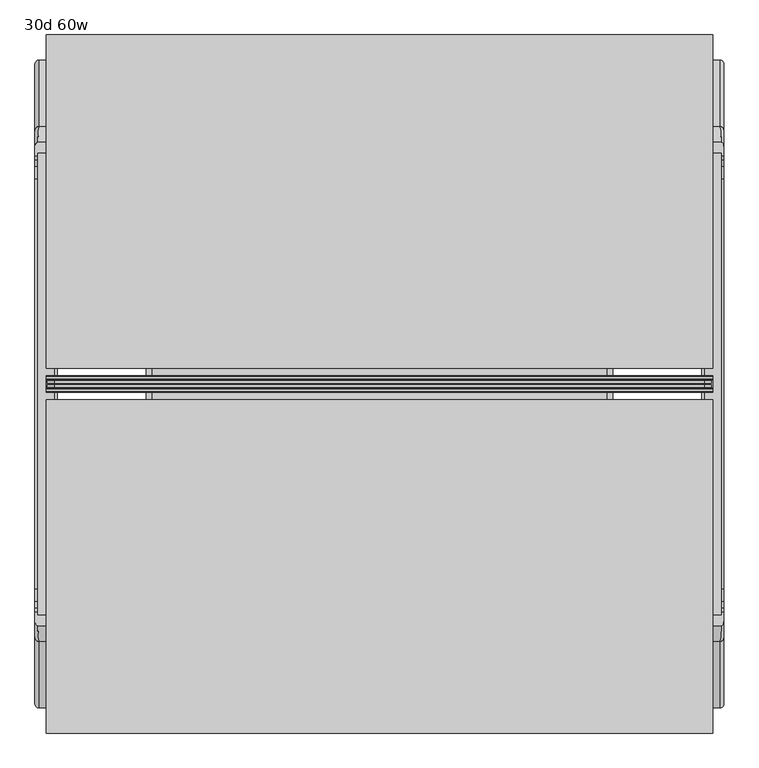
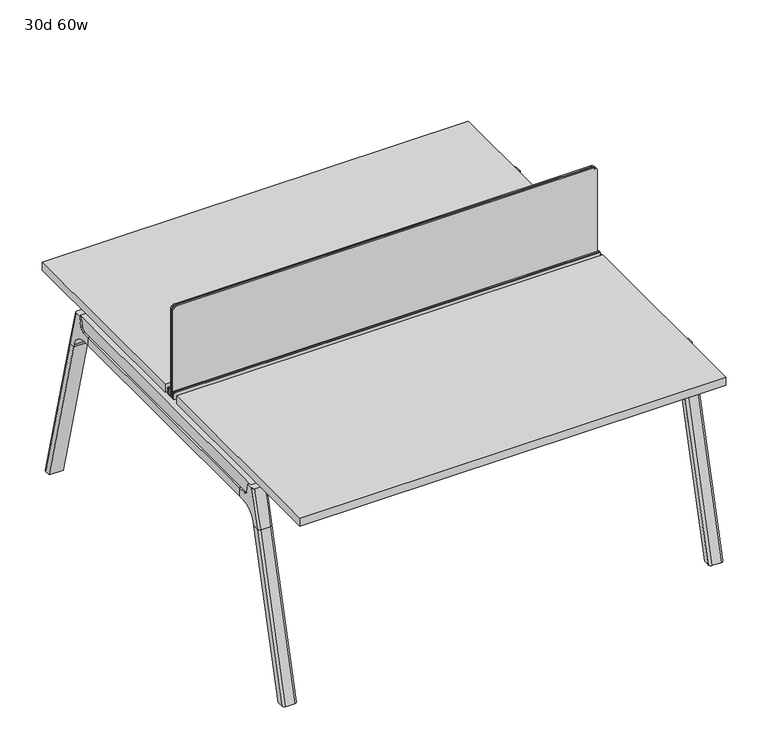
"""IFC4 building model written with IfcOpenShell, lengths in millimetres: furniture geometry, 30d 60w."""

from ifc_helpers import new_model, si_unit, point, frame, frame_2d, origin, place, context, project, spatial, polyline, circle_curve, ellipse_curve, trimmed, segment, composite_curve, outline, extrude, source, transform, mapped, element, save
from ifc_brep_helpers import plane_surface, cylinder_surface, revolved_surface, advanced_brep


def furniture_30d_60w_bcbb73ca(model_context):
    return source(origin(), model_context, "Body", "SolidModel", [
        extrude(outline(composite_curve([segment(polyline([(1054.89375, 955.675), (1054.89375, -523.875)]), True, "CONTINUOUS"), segment(trimmed(circle_curve(frame_2d((1039.01875, -523.875)), 15.875), [point((1054.89375, -523.875))], [point((1039.01875, -539.75))], False, "CARTESIAN"), True, "CONTINUOUS"), segment(polyline([(1039.01875, -539.75), (720.725, -539.75), (720.725, 971.55), (1039.01875, 971.55)]), True, "CONTINUOUS"), segment(trimmed(circle_curve(frame_2d((1039.01875, 955.675)), 15.875), [point((1039.01875, 971.55))], [point((1054.89375, 955.675))], False, "CARTESIAN"), True, "CONTINUOUS")], self_intersect=False)), frame((0.0, -201.3409766, 0.0), z_axis=(0.0, 1.0, 0.0), x_axis=(0.0, 0.0, 1.0)), (0.0, 0.0, 1.0), 3.175),
        extrude(outline(composite_curve([segment(polyline([(1058.06875, 958.85), (1058.06875, -527.05)]), True, "CONTINUOUS"), segment(trimmed(circle_curve(frame_2d((1042.19375, -527.05)), 15.875), [point((1058.06875, -527.05))], [point((1042.19375, -542.925))], False, "CARTESIAN"), True, "CONTINUOUS"), segment(polyline([(1042.19375, -542.925), (717.55, -542.925), (717.55, 974.725), (1042.19375, 974.725)]), True, "CONTINUOUS"), segment(trimmed(circle_curve(frame_2d((1042.19375, 958.85)), 15.875), [point((1042.19375, 974.725))], [point((1058.06875, 958.85))], False, "CARTESIAN"), True, "CONTINUOUS")], self_intersect=False)), frame((0.0, -198.1659766, 0.0), z_axis=(0.0, 1.0, 0.0), x_axis=(0.0, 0.0, 1.0)), (0.0, 0.0, 1.0), 5.55625),
        extrude(outline(composite_curve([segment(polyline([(1058.06875, 958.85), (1058.06875, -527.05)]), True, "CONTINUOUS"), segment(trimmed(circle_curve(frame_2d((1042.19375, -527.05)), 15.875), [point((1058.06875, -527.05))], [point((1042.19375, -542.925))], False, "CARTESIAN"), True, "CONTINUOUS"), segment(polyline([(1042.19375, -542.925), (717.55, -542.925), (717.55, 974.725), (1042.19375, 974.725)]), True, "CONTINUOUS"), segment(trimmed(circle_curve(frame_2d((1042.19375, 958.85)), 15.875), [point((1042.19375, 974.725))], [point((1058.06875, 958.85))], False, "CARTESIAN"), True, "CONTINUOUS")], self_intersect=False)), frame((0.0, -206.8972266, 0.0), z_axis=(0.0, 1.0, 0.0), x_axis=(0.0, 0.0, 1.0)), (0.0, 0.0, 1.0), 5.55625),
        extrude(outline(polyline([(-348.9784469, 559.4636683), (-364.040663, 627.7843353), (-35.4662901, 627.7843353), (-50.5285062, 559.4636683), (-46.7502281, 557.2647146), (-46.7502281, 549.3667827), (-62.6252238, 521.8704736), (-336.8817293, 521.8704736), (-352.756725, 549.3667827), (-352.756725, 557.2647146), (-348.9784469, 559.4636683)])), frame((736.6, 0.0, 0.0), z_axis=(1.0, 0.0, 0.0), x_axis=(0.0, 1.0, 0.0)), (0.0, 0.0, 1.0), 12.7),
        extrude(outline(polyline([(-348.9784469, 559.4636683), (-364.040663, 627.7843353), (-35.4662901, 627.7843353), (-50.5285062, 559.4636683), (-46.7502281, 557.2647146), (-46.7502281, 549.3667827), (-62.6252238, 521.8704736), (-336.8817293, 521.8704736), (-352.756725, 549.3667827), (-352.756725, 557.2647146), (-348.9784469, 559.4636683)])), frame((-317.5, 0.0, 0.0), z_axis=(1.0, 0.0, 0.0), x_axis=(0.0, 1.0, 0.0)), (0.0, 0.0, 1.0), 12.7),
        extrude(outline(polyline([(-18.0090763, 698.5), (3.7767266, 698.5), (3.7767266, 697.2935087), (-17.4495292, 697.2935087), (-19.0070753, 695.7359626), (-49.1186716, 559.1528512), (-50.5285062, 559.4636683), (-20.404074, 696.1050023), (-18.0090763, 698.5)])), frame((-317.5, 0.0, 0.0), z_axis=(1.0, 0.0, 0.0), x_axis=(0.0, 1.0, 0.0)), (0.0, 0.0, 1.0), 31.8008024),
        extrude(outline(polyline([(-381.4978768, 698.5), (-379.1028791, 696.1050023), (-348.9784469, 559.4636683), (-350.3882815, 559.1528512), (-380.4998778, 695.7359626), (-382.0574239, 697.2935087), (-403.2836797, 697.2935087), (-403.2836797, 698.5), (-381.4978768, 698.5)])), frame((-317.5, 0.0, 0.0), z_axis=(1.0, 0.0, 0.0), x_axis=(0.0, 1.0, 0.0)), (0.0, 0.0, 1.0), 31.8008024),
        extrude(outline(polyline([(-18.0090763, 698.5), (3.7767266, 698.5), (3.7767266, 697.2935087), (-17.4495292, 697.2935087), (-19.0070753, 695.7359626), (-49.1186716, 559.1528512), (-50.5285062, 559.4636683), (-20.404074, 696.1050023), (-18.0090763, 698.5)])), frame((717.4991976, 0.0, 0.0), z_axis=(1.0, 0.0, 0.0), x_axis=(0.0, 1.0, 0.0)), (0.0, 0.0, 1.0), 31.8008024),
        extrude(outline(polyline([(-381.4978768, 698.5), (-379.1028791, 696.1050023), (-348.9784469, 559.4636683), (-350.3882815, 559.1528512), (-380.4998778, 695.7359626), (-382.0574239, 697.2935087), (-403.2836797, 697.2935087), (-403.2836797, 698.5), (-381.4978768, 698.5)])), frame((717.4991976, 0.0, 0.0), z_axis=(1.0, 0.0, 0.0), x_axis=(0.0, 1.0, 0.0)), (0.0, 0.0, 1.0), 31.8008024),
        extrude(outline(polyline([(-353.550475, 557.5934966), (-351.518477, 559.6254947), (-350.957211, 559.0642287), (-352.756725, 557.2647146), (-352.756725, 549.3667827), (-352.5317745, 548.5272622), (-337.4390802, 522.3859395), (-336.0037101, 521.5572272), (-63.503243, 521.5572272), (-62.0678729, 522.3859395), (-46.9751786, 548.5272622), (-46.7502281, 549.3667827), (-46.7502281, 557.2647146), (-48.5497421, 559.0642287), (-47.9884761, 559.6254947), (-45.9564781, 557.5934966), (-45.9564781, 549.2622828), (-46.2355217, 548.2208856), (-61.4868074, 521.8048744), (-63.2905581, 520.7634772), (-336.216395, 520.7634772), (-338.0201457, 521.8048744), (-353.2714314, 548.2208856), (-353.550475, 549.2622828), (-353.550475, 557.5934966)])), frame((-317.4492037, 0.0, 0.0), z_axis=(1.0, 0.0, 0.0), x_axis=(0.0, 1.0, 0.0)), (0.0, 0.0, 1.0), 1066.7492037),
        extrude(outline(polyline([(-218.8034766, 715.9625), (-218.8034766, 741.3625), (-217.2159766, 741.3625), (-217.2159766, 720.725), (-210.8659766, 720.725), (-210.8659766, 741.3625), (-209.2784766, 741.3625), (-209.2784766, 717.55), (-190.2284766, 717.55), (-190.2284766, 741.3625), (-188.6409766, 741.3625), (-188.6409766, 720.725), (-182.2909766, 720.725), (-182.2909766, 741.3625), (-180.7034766, 741.3625), (-180.7034766, 715.9625), (-218.8034766, 715.9625)])), frame((-546.1, 0.0, 0.0), z_axis=(1.0, 0.0, 0.0), x_axis=(0.0, 1.0, 0.0)), (0.0, 0.0, 1.0), 1524.0),
        extrude(outline(composite_curve([segment(polyline([(328.0902734, 711.2), (319.0321726, 677.3947076)]), True, "CONTINUOUS"), segment(trimmed(circle_curve(frame_2d((303.6981001, 681.5034599)), 15.875), [point((319.0321726, 677.3947076))], [point((303.6981001, 665.6284599))], False, "CARTESIAN"), True, "CONTINUOUS"), segment(polyline([(303.6981001, 665.6284599), (-703.2050533, 665.6284599)]), True, "CONTINUOUS"), segment(trimmed(circle_curve(frame_2d((-703.2050533, 681.5034599)), 15.875), [point((-703.2050533, 665.6284599))], [point((-718.5391258, 677.3947076))], False, "CARTESIAN"), True, "CONTINUOUS"), segment(polyline([(-718.5391258, 677.3947076), (-727.5972266, 711.2), (328.0902734, 711.2)]), True, "CONTINUOUS")], self_intersect=False)), frame((958.85, 0.0, 0.0), z_axis=(1.0, 0.0, 0.0), x_axis=(0.0, 1.0, 0.0)), (0.0, 0.0, 1.0), 38.1),
        extrude(outline(polyline([(1003.3, 267.7652734), (1003.3, -667.2722266), (952.5, -667.2722266), (952.5, 267.7652734), (1003.3, 267.7652734)])), frame((0.0, 0.0, 635.6476591), z_axis=(0.0, 0.0, 1.0), x_axis=(1.0, 0.0, 0.0)), (0.0, 0.0, 1.0), 29.9808008),
        extrude(outline(composite_curve([segment(polyline([(328.0902734, 711.2), (319.0321726, 677.3947076)]), True, "CONTINUOUS"), segment(trimmed(circle_curve(frame_2d((303.6981001, 681.5034599)), 15.875), [point((319.0321726, 677.3947076))], [point((303.6981001, 665.6284599))], False, "CARTESIAN"), True, "CONTINUOUS"), segment(polyline([(303.6981001, 665.6284599), (-703.2050533, 665.6284599)]), True, "CONTINUOUS"), segment(trimmed(circle_curve(frame_2d((-703.2050533, 681.5034599)), 15.875), [point((-703.2050533, 665.6284599))], [point((-718.5391258, 677.3947076))], False, "CARTESIAN"), True, "CONTINUOUS"), segment(polyline([(-718.5391258, 677.3947076), (-727.5972266, 711.2), (328.0902734, 711.2)]), True, "CONTINUOUS")], self_intersect=False)), frame((-565.15, 0.0, 0.0), z_axis=(1.0, 0.0, 0.0), x_axis=(0.0, 1.0, 0.0)), (0.0, 0.0, 1.0), 38.1),
        extrude(outline(polyline([(-520.7, 267.7652734), (-520.7, -667.2722266), (-571.5, -667.2722266), (-571.5, 267.7652734), (-520.7, 267.7652734)])), frame((0.0, 0.0, 635.6476591), z_axis=(0.0, 0.0, 1.0), x_axis=(1.0, 0.0, 0.0)), (0.0, 0.0, 1.0), 29.9808008),
        advanced_brep(
        [(952.5, -721.2935553, 711.2), (952.5, -712.2354545, 677.3947076), (952.5, -696.901382, 665.6284599), (952.5, -667.2722266, 665.6284599), (952.5, -667.2722266, 635.6476591), (952.5, -690.1434588, 635.6476591), (952.5, -754.5465633, 586.2294189), (952.5, -757.1047754, 576.6820411), (952.5, -778.2087453, 576.6820411), (952.5, -742.7601017, 711.2), (1003.3, -757.1047754, 576.6820411), (1003.3, -754.5465633, 586.2294189), (1003.3, -690.1434588, 635.6476591), (1003.3, -667.2722266, 635.6476591), (1003.3, -667.2722266, 665.6284599), (1003.3, -696.901382, 665.6284599), (1003.3, -712.2354545, 677.3947076), (1003.3, -721.2935553, 711.2), (1003.3, -742.7601017, 711.2), (1003.3, -778.2087453, 576.6820411), (958.7638162, -752.0149462, 711.2), (997.0361838, -752.0149462, 711.2), (993.775, -788.0589247, 576.6820411), (962.025, -788.0589247, 576.6820411)],
        [
            (0, 1),
            (1, 2, circle_curve(frame((952.5, -696.901382, 681.5034599), z_axis=(1.0, 0.0, 0.0), x_axis=(0.0, -1.0, 0.0)), 15.875)),
            (2, 3),
            (3, 4),
            (4, 5),
            (5, 6, circle_curve(frame((952.5, -690.1434588, 568.9726591), z_axis=(1.0, 0.0, 0.0), x_axis=(0.0, -1.0, 0.0)), 66.675)),
            (6, 7),
            (7, 8),
            (8, 9),
            (9, 0),
            (10, 11),
            (11, 12, circle_curve(frame((1003.3, -690.1434588, 568.9726591), z_axis=(-1.0, 0.0, 0.0), x_axis=(0.0, -1.0, 0.0)), 66.675)),
            (12, 13),
            (13, 14),
            (14, 15),
            (15, 16, circle_curve(frame((1003.3, -696.901382, 681.5034599), z_axis=(-1.0, 0.0, 0.0), x_axis=(0.0, -1.0, 0.0)), 15.875)),
            (16, 17),
            (17, 18),
            (18, 19),
            (19, 10),
            (17, 0),
            (9, 20, ellipse_curve(frame((962.025, -742.7601017, 711.2), z_axis=(0.0, 0.0, 1.0), x_axis=(0.0, -1.0, 0.0)), 9.8501793, 9.525)),
            (20, 21),
            (21, 18, ellipse_curve(frame((993.775, -742.7601017, 711.2), z_axis=(0.0, 0.0, 1.0), x_axis=(0.0, -1.0, 0.0)), 9.8501793, 9.525)),
            (16, 1),
            (15, 2),
            (14, 3),
            (13, 4),
            (12, 5),
            (11, 6),
            (10, 7),
            (19, 22, ellipse_curve(frame((993.775, -778.2087453, 576.6820411), z_axis=(0.0, 0.0, -1.0), x_axis=(0.0, -1.0, 0.0)), 9.8501793, 9.525)),
            (22, 23),
            (23, 8, ellipse_curve(frame((962.025, -778.2087453, 576.6820411), z_axis=(0.0, 0.0, -1.0), x_axis=(0.0, -1.0, 0.0)), 9.8501793, 9.525)),
            (20, 23, ellipse_curve(frame((962.025, -191.6892106, 2802.3641142), z_axis=(0.0, -0.9659258262890684, 0.2588190451025206), x_axis=(0.0, -0.2588190451025206, -0.9659258262890684)), 2304.1956354, 9.525)),
            (22, 21, ellipse_curve(frame((993.775, -191.6892106, 2802.3641142), z_axis=(0.0, -0.9659258262890684, 0.2588190451025206), x_axis=(0.0, -0.2588190451025206, -0.9659258262890684)), 2304.1956354, 9.525)),
        ],
        [
            plane_surface(frame((952.5, -752.0149462, 711.2), z_axis=(-1.0, 0.0, 0.0), x_axis=(0.0, 1.0, 0.0))),
            plane_surface(frame((1003.3, -752.0149462, 711.2), z_axis=(1.0, 0.0, 0.0), x_axis=(0.0, -1.0, 0.0))),
            plane_surface(frame((952.5, -752.0149462, 711.2), z_axis=(0.0, 0.0, 1.0), x_axis=(1.0, 0.0, 0.0))),
            plane_surface(frame((952.5, -721.2935553, 711.2), z_axis=(0.0, 0.9659258262890683, 0.2588190451025207), x_axis=(1.0, 0.0, 0.0))),
            revolved_surface(polyline([(1003.3, -712.776382, 681.5034599), (952.5, -712.776382, 681.5034599)]), (1003.3, -696.901382, 681.5034599), (1.0, 0.0, 0.0)),
            plane_surface(frame((952.5, -696.901382, 665.6284599), z_axis=(0.0, 0.0, 1.0), x_axis=(1.0, 0.0, 0.0))),
            plane_surface(frame((952.5, -667.2722266, 665.6284599), z_axis=(0.0, 1.0, 0.0), x_axis=(1.0, 0.0, 0.0))),
            plane_surface(frame((952.5, -667.2722266, 635.6476591), z_axis=(0.0, 0.0, -1.0), x_axis=(1.0, 0.0, 0.0))),
            revolved_surface(polyline([(1003.3, -756.8184587999999, 568.9726591), (952.5, -756.8184587999999, 568.9726591)]), (1003.3, -690.1434588, 568.9726591), (1.0, 0.0, 0.0)),
            plane_surface(frame((952.5, -754.5465633, 586.2294189), z_axis=(0.0, 0.9659258262890693, -0.25881904510251696), x_axis=(1.0, 0.0, 0.0))),
            plane_surface(frame((952.5, -757.1047754, 576.6820411), z_axis=(0.0, 0.0, -1.0), x_axis=(1.0, 0.0, 0.0))),
            plane_surface(frame((952.5, -788.0589247, 576.6820411), z_axis=(0.0, -0.9659258262890684, 0.2588190451025206), x_axis=(1.0, 0.0, 0.0))),
            cylinder_surface(frame((962.025, -930.8176402, -2.4271979), z_axis=(0.0, -0.25482392474081483, -0.966987470125486), x_axis=(1.0, 0.0, 0.0)), 9.525),
            cylinder_surface(frame((993.775, -930.8176402, -2.4271979), z_axis=(0.0, -0.25482392474081483, -0.966987470125486), x_axis=(1.0, 0.0, 0.0)), 9.525),
        ],
        [
            (0, [[1, 2, 3, 4, 5, 6, 7, 8, 9, 10]]),
            (1, [[11, 12, 13, 14, 15, 16, 17, 18, 19, 20]]),
            (2, [[21, -10, 22, 23, 24, -18]]),
            (3, [[-1, -21, -17, 25]]),
            (4, [[-2, -25, -16, 26]]),
            (5, [[-3, -26, -15, 27]]),
            (6, [[-4, -27, -14, 28]]),
            (7, [[-5, -28, -13, 29]]),
            (8, [[-6, -29, -12, 30]]),
            (9, [[-7, -30, -11, 31]]),
            (10, [[-31, -20, 32, 33, 34, -8]]),
            (11, [[-23, 35, -33, 36]]),
            (12, [[-9, -34, -35, -22]]),
            (13, [[-19, -24, -36, -32]]),
        ],
    ),
        advanced_brep(
        [(952.5, -757.1047754, 576.6820411), (952.5, -909.0740466, 0.0), (952.5, -930.1780165, 0.0), (952.5, -778.2087453, 576.6820411), (1003.3, -909.0740466, 0.0), (1003.3, -757.1047754, 576.6820411), (1003.3, -778.2087453, 576.6820411), (1003.3, -930.1780165, 0.0), (962.025, -788.0589247, 576.6820411), (993.775, -788.0589247, 576.6820411), (993.775, -940.0281958, 0.0), (962.025, -940.0281958, 0.0)],
        [
            (0, 1),
            (1, 2),
            (2, 3),
            (3, 0),
            (4, 5),
            (5, 6),
            (6, 7),
            (7, 4),
            (5, 0),
            (3, 8, ellipse_curve(frame((962.025, -778.2087453, 576.6820411), z_axis=(0.0, 0.0, 1.0), x_axis=(0.0, -1.0, 0.0)), 9.8501793, 9.525)),
            (8, 9),
            (9, 6, ellipse_curve(frame((993.775, -778.2087453, 576.6820411), z_axis=(0.0, 0.0, 1.0), x_axis=(0.0, -1.0, 0.0)), 9.8501793, 9.525)),
            (4, 1),
            (7, 10, ellipse_curve(frame((993.775, -930.1780165, 0.0), z_axis=(0.0, 0.0, -1.0), x_axis=(0.0, -1.0, 0.0)), 9.8501793, 9.525)),
            (10, 11),
            (11, 2, ellipse_curve(frame((962.025, -930.1780165, 0.0), z_axis=(0.0, 0.0, -1.0), x_axis=(0.0, -1.0, 0.0)), 9.8501793, 9.525)),
            (8, 11),
            (10, 9),
        ],
        [
            plane_surface(frame((952.5, -788.0589247, 576.6820411), z_axis=(-1.0, 0.0, 0.0), x_axis=(0.0, 1.0, 0.0))),
            plane_surface(frame((1003.3, -788.0589247, 576.6820411), z_axis=(1.0, 0.0, 0.0), x_axis=(0.0, -1.0, 0.0))),
            plane_surface(frame((952.5, -788.0589247, 576.6820411), z_axis=(0.0, 0.0, 1.0), x_axis=(1.0, 0.0, 0.0))),
            plane_surface(frame((952.5, -757.1047754, 576.6820411), z_axis=(0.0, 0.9669874701254844, -0.2548239247408208), x_axis=(1.0, 0.0, 0.0))),
            plane_surface(frame((952.5, -909.0740466, 0.0), z_axis=(0.0, 0.0, -1.0), x_axis=(1.0, 0.0, 0.0))),
            plane_surface(frame((952.5, -940.0281958, 0.0), z_axis=(0.0, -0.9669874701254855, 0.2548239247408166), x_axis=(1.0, 0.0, 0.0))),
            cylinder_surface(frame((962.025, -930.8176402, -2.4271979), z_axis=(0.0, -0.25482392474081483, -0.966987470125486), x_axis=(1.0, 0.0, 0.0)), 9.525),
            cylinder_surface(frame((993.775, -930.8176402, -2.4271979), z_axis=(0.0, -0.25482392474081483, -0.966987470125486), x_axis=(1.0, 0.0, 0.0)), 9.525),
        ],
        [
            (0, [[1, 2, 3, 4]]),
            (1, [[5, 6, 7, 8]]),
            (2, [[9, -4, 10, 11, 12, -6]]),
            (3, [[-1, -9, -5, 13]]),
            (4, [[-13, -8, 14, 15, 16, -2]]),
            (5, [[-11, 17, -15, 18]]),
            (6, [[-3, -16, -17, -10]]),
            (7, [[-7, -12, -18, -14]]),
        ],
    ),
        advanced_brep(
        [(1003.3, 321.7866022, 711.2), (1003.3, 312.7285014, 677.3947076), (1003.3, 297.3944289, 665.6284599), (1003.3, 267.7652734, 665.6284599), (1003.3, 267.7652734, 635.6476591), (1003.3, 290.6365057, 635.6476591), (1003.3, 355.0396101, 586.2294189), (1003.3, 357.5978223, 576.6820411), (1003.3, 378.7017922, 576.6820411), (1003.3, 343.2531486, 711.2), (952.5, 357.5978223, 576.6820411), (952.5, 355.0396101, 586.2294189), (952.5, 290.6365057, 635.6476591), (952.5, 267.7652734, 635.6476591), (952.5, 267.7652734, 665.6284599), (952.5, 297.3944289, 665.6284599), (952.5, 312.7285014, 677.3947076), (952.5, 321.7866022, 711.2), (952.5, 343.2531486, 711.2), (952.5, 378.7017922, 576.6820411), (997.0361838, 352.5079931, 711.2), (958.7638162, 352.5079931, 711.2), (962.025, 388.5519716, 576.6820411), (993.775, 388.5519716, 576.6820411)],
        [
            (0, 1),
            (1, 2, circle_curve(frame((1003.3, 297.3944289, 681.5034599), z_axis=(-1.0, 0.0, 0.0), x_axis=(0.0, 1.0, 0.0)), 15.875)),
            (2, 3),
            (3, 4),
            (4, 5),
            (5, 6, circle_curve(frame((1003.3, 290.6365057, 568.9726591), z_axis=(-1.0, 0.0, 0.0), x_axis=(0.0, 1.0, 0.0)), 66.675)),
            (6, 7),
            (7, 8),
            (8, 9),
            (9, 0),
            (10, 11),
            (11, 12, circle_curve(frame((952.5, 290.6365057, 568.9726591), z_axis=(1.0, 0.0, 0.0), x_axis=(0.0, 1.0, 0.0)), 66.675)),
            (12, 13),
            (13, 14),
            (14, 15),
            (15, 16, circle_curve(frame((952.5, 297.3944289, 681.5034599), z_axis=(1.0, 0.0, 0.0), x_axis=(0.0, 1.0, 0.0)), 15.875)),
            (16, 17),
            (17, 18),
            (18, 19),
            (19, 10),
            (17, 0),
            (9, 20, ellipse_curve(frame((993.775, 343.2531486, 711.2), z_axis=(0.0, 0.0, 1.0), x_axis=(0.0, 1.0, 0.0)), 9.8501793, 9.525)),
            (20, 21),
            (21, 18, ellipse_curve(frame((962.025, 343.2531486, 711.2), z_axis=(0.0, 0.0, 1.0), x_axis=(0.0, 1.0, 0.0)), 9.8501793, 9.525)),
            (16, 1),
            (15, 2),
            (14, 3),
            (13, 4),
            (12, 5),
            (11, 6),
            (10, 7),
            (19, 22, ellipse_curve(frame((962.025, 378.7017922, 576.6820411), z_axis=(0.0, 0.0, -1.0), x_axis=(0.0, 1.0, 0.0)), 9.8501793, 9.525)),
            (22, 23),
            (23, 8, ellipse_curve(frame((993.775, 378.7017922, 576.6820411), z_axis=(0.0, 0.0, -1.0), x_axis=(0.0, 1.0, 0.0)), 9.8501793, 9.525)),
            (20, 23, ellipse_curve(frame((993.775, -207.8177425, 2802.3641142), z_axis=(0.0, 0.9659258262890684, 0.2588190451025206), x_axis=(0.0, 0.2588190451025206, -0.9659258262890684)), 2304.1956354, 9.525)),
            (22, 21, ellipse_curve(frame((962.025, -207.8177425, 2802.3641142), z_axis=(0.0, 0.9659258262890684, 0.2588190451025206), x_axis=(0.0, 0.2588190451025206, -0.9659258262890684)), 2304.1956354, 9.525)),
        ],
        [
            plane_surface(frame((1003.3, 352.5079931, 711.2), z_axis=(1.0, 0.0, 0.0), x_axis=(0.0, -1.0, 0.0))),
            plane_surface(frame((952.5, 352.5079931, 711.2), z_axis=(-1.0, 0.0, 0.0), x_axis=(0.0, 1.0, 0.0))),
            plane_surface(frame((1003.3, 352.5079931, 711.2), z_axis=(0.0, 0.0, 1.0), x_axis=(-1.0, 0.0, 0.0))),
            plane_surface(frame((1003.3, 321.7866022, 711.2), z_axis=(0.0, -0.9659258262890683, 0.2588190451025207), x_axis=(-1.0, 0.0, 0.0))),
            revolved_surface(polyline([(952.5, 313.2694289, 681.5034599), (1003.3, 313.2694289, 681.5034599)]), (952.5, 297.3944289, 681.5034599), (-1.0, 0.0, 0.0)),
            plane_surface(frame((1003.3, 297.3944289, 665.6284599), z_axis=(0.0, 0.0, 1.0), x_axis=(-1.0, 0.0, 0.0))),
            plane_surface(frame((1003.3, 267.7652734, 665.6284599), z_axis=(0.0, -1.0, 0.0), x_axis=(-1.0, 0.0, 0.0))),
            plane_surface(frame((1003.3, 267.7652734, 635.6476591), z_axis=(0.0, 0.0, -1.0), x_axis=(-1.0, 0.0, 0.0))),
            revolved_surface(polyline([(952.5, 357.3115057, 568.9726591), (1003.3, 357.3115057, 568.9726591)]), (952.5, 290.6365057, 568.9726591), (-1.0, 0.0, 0.0)),
            plane_surface(frame((1003.3, 355.0396101, 586.2294189), z_axis=(0.0, -0.9659258262890693, -0.25881904510251696), x_axis=(-1.0, 0.0, 0.0))),
            plane_surface(frame((1003.3, 357.5978223, 576.6820411), z_axis=(0.0, 0.0, -1.0), x_axis=(-1.0, 0.0, 0.0))),
            plane_surface(frame((1003.3, 388.5519716, 576.6820411), z_axis=(0.0, 0.9659258262890684, 0.2588190451025206), x_axis=(-1.0, 0.0, 0.0))),
            cylinder_surface(frame((993.775, 531.3106871, -2.4271979), z_axis=(0.0, 0.25482392474081483, -0.966987470125486), x_axis=(-1.0, 0.0, 0.0)), 9.525),
            cylinder_surface(frame((962.025, 531.3106871, -2.4271979), z_axis=(0.0, 0.25482392474081483, -0.966987470125486), x_axis=(-1.0, 0.0, 0.0)), 9.525),
        ],
        [
            (0, [[1, 2, 3, 4, 5, 6, 7, 8, 9, 10]]),
            (1, [[11, 12, 13, 14, 15, 16, 17, 18, 19, 20]]),
            (2, [[21, -10, 22, 23, 24, -18]]),
            (3, [[-1, -21, -17, 25]]),
            (4, [[-2, -25, -16, 26]]),
            (5, [[-3, -26, -15, 27]]),
            (6, [[-4, -27, -14, 28]]),
            (7, [[-5, -28, -13, 29]]),
            (8, [[-6, -29, -12, 30]]),
            (9, [[-7, -30, -11, 31]]),
            (10, [[-31, -20, 32, 33, 34, -8]]),
            (11, [[-23, 35, -33, 36]]),
            (12, [[-9, -34, -35, -22]]),
            (13, [[-19, -24, -36, -32]]),
        ],
    ),
        advanced_brep(
        [(1003.3, 357.5978223, 576.6820411), (1003.3, 509.5670935, 0.0), (1003.3, 530.6710634, 0.0), (1003.3, 378.7017922, 576.6820411), (952.5, 509.5670935, 0.0), (952.5, 357.5978223, 576.6820411), (952.5, 378.7017922, 576.6820411), (952.5, 530.6710634, 0.0), (993.775, 388.5519716, 576.6820411), (962.025, 388.5519716, 576.6820411), (962.025, 540.5212427, 0.0), (993.775, 540.5212427, 0.0)],
        [
            (0, 1),
            (1, 2),
            (2, 3),
            (3, 0),
            (4, 5),
            (5, 6),
            (6, 7),
            (7, 4),
            (5, 0),
            (3, 8, ellipse_curve(frame((993.775, 378.7017922, 576.6820411), z_axis=(0.0, 0.0, 1.0), x_axis=(0.0, 1.0, 0.0)), 9.8501793, 9.525)),
            (8, 9),
            (9, 6, ellipse_curve(frame((962.025, 378.7017922, 576.6820411), z_axis=(0.0, 0.0, 1.0), x_axis=(0.0, 1.0, 0.0)), 9.8501793, 9.525)),
            (4, 1),
            (7, 10, ellipse_curve(frame((962.025, 530.6710634, 0.0), z_axis=(0.0, 0.0, -1.0), x_axis=(0.0, 1.0, 0.0)), 9.8501793, 9.525)),
            (10, 11),
            (11, 2, ellipse_curve(frame((993.775, 530.6710634, 0.0), z_axis=(0.0, 0.0, -1.0), x_axis=(0.0, 1.0, 0.0)), 9.8501793, 9.525)),
            (8, 11),
            (10, 9),
        ],
        [
            plane_surface(frame((1003.3, 388.5519716, 576.6820411), z_axis=(1.0, 0.0, 0.0), x_axis=(0.0, -1.0, 0.0))),
            plane_surface(frame((952.5, 388.5519716, 576.6820411), z_axis=(-1.0, 0.0, 0.0), x_axis=(0.0, 1.0, 0.0))),
            plane_surface(frame((1003.3, 388.5519716, 576.6820411), z_axis=(0.0, 0.0, 1.0), x_axis=(-1.0, 0.0, 0.0))),
            plane_surface(frame((1003.3, 357.5978223, 576.6820411), z_axis=(0.0, -0.9669874701254844, -0.2548239247408208), x_axis=(-1.0, 0.0, 0.0))),
            plane_surface(frame((1003.3, 509.5670935, 0.0), z_axis=(0.0, 0.0, -1.0), x_axis=(-1.0, 0.0, 0.0))),
            plane_surface(frame((1003.3, 540.5212427, 0.0), z_axis=(0.0, 0.9669874701254855, 0.2548239247408166), x_axis=(-1.0, 0.0, 0.0))),
            cylinder_surface(frame((993.775, 531.3106871, -2.4271979), z_axis=(0.0, 0.25482392474081483, -0.966987470125486), x_axis=(-1.0, 0.0, 0.0)), 9.525),
            cylinder_surface(frame((962.025, 531.3106871, -2.4271979), z_axis=(0.0, 0.25482392474081483, -0.966987470125486), x_axis=(-1.0, 0.0, 0.0)), 9.525),
        ],
        [
            (0, [[1, 2, 3, 4]]),
            (1, [[5, 6, 7, 8]]),
            (2, [[9, -4, 10, 11, 12, -6]]),
            (3, [[-1, -9, -5, 13]]),
            (4, [[-13, -8, 14, 15, 16, -2]]),
            (5, [[-11, 17, -15, 18]]),
            (6, [[-3, -16, -17, -10]]),
            (7, [[-7, -12, -18, -14]]),
        ],
    ),
        advanced_brep(
        [(-520.7, 321.7866022, 711.2), (-520.7, 312.7285014, 677.3947076), (-520.7, 297.3944289, 665.6284599), (-520.7, 267.7652734, 665.6284599), (-520.7, 267.7652734, 635.6476591), (-520.7, 290.6365057, 635.6476591), (-520.7, 355.0396101, 586.2294189), (-520.7, 357.5978223, 576.6820411), (-520.7, 378.7017922, 576.6820411), (-520.7, 343.2531486, 711.2), (-571.5, 357.5978223, 576.6820411), (-571.5, 355.0396101, 586.2294189), (-571.5, 290.6365057, 635.6476591), (-571.5, 267.7652734, 635.6476591), (-571.5, 267.7652734, 665.6284599), (-571.5, 297.3944289, 665.6284599), (-571.5, 312.7285014, 677.3947076), (-571.5, 321.7866022, 711.2), (-571.5, 343.2531486, 711.2), (-571.5, 378.7017922, 576.6820411), (-526.9638162, 352.5079931, 711.2), (-565.2361838, 352.5079931, 711.2), (-561.975, 388.5519716, 576.6820411), (-530.225, 388.5519716, 576.6820411)],
        [
            (0, 1),
            (1, 2, circle_curve(frame((-520.7, 297.3944289, 681.5034599), z_axis=(-1.0, 0.0, 0.0), x_axis=(0.0, 1.0, 0.0)), 15.875)),
            (2, 3),
            (3, 4),
            (4, 5),
            (5, 6, circle_curve(frame((-520.7, 290.6365057, 568.9726591), z_axis=(-1.0, 0.0, 0.0), x_axis=(0.0, 1.0, 0.0)), 66.675)),
            (6, 7),
            (7, 8),
            (8, 9),
            (9, 0),
            (10, 11),
            (11, 12, circle_curve(frame((-571.5, 290.6365057, 568.9726591), z_axis=(1.0, 0.0, 0.0), x_axis=(0.0, 1.0, 0.0)), 66.675)),
            (12, 13),
            (13, 14),
            (14, 15),
            (15, 16, circle_curve(frame((-571.5, 297.3944289, 681.5034599), z_axis=(1.0, 0.0, 0.0), x_axis=(0.0, 1.0, 0.0)), 15.875)),
            (16, 17),
            (17, 18),
            (18, 19),
            (19, 10),
            (17, 0),
            (9, 20, ellipse_curve(frame((-530.225, 343.2531486, 711.2), z_axis=(0.0, 0.0, 1.0), x_axis=(0.0, 1.0, 0.0)), 9.8501793, 9.525)),
            (20, 21),
            (21, 18, ellipse_curve(frame((-561.975, 343.2531486, 711.2), z_axis=(0.0, 0.0, 1.0), x_axis=(0.0, 1.0, 0.0)), 9.8501793, 9.525)),
            (16, 1),
            (15, 2),
            (14, 3),
            (13, 4),
            (12, 5),
            (11, 6),
            (10, 7),
            (19, 22, ellipse_curve(frame((-561.975, 378.7017922, 576.6820411), z_axis=(0.0, 0.0, -1.0), x_axis=(0.0, 1.0, 0.0)), 9.8501793, 9.525)),
            (22, 23),
            (23, 8, ellipse_curve(frame((-530.225, 378.7017922, 576.6820411), z_axis=(0.0, 0.0, -1.0), x_axis=(0.0, 1.0, 0.0)), 9.8501793, 9.525)),
            (20, 23, ellipse_curve(frame((-530.225, -207.8177425, 2802.3641142), z_axis=(0.0, 0.9659258262890684, 0.2588190451025206), x_axis=(0.0, 0.2588190451025206, -0.9659258262890684)), 2304.1956354, 9.525)),
            (22, 21, ellipse_curve(frame((-561.975, -207.8177425, 2802.3641142), z_axis=(0.0, 0.9659258262890684, 0.2588190451025206), x_axis=(0.0, 0.2588190451025206, -0.9659258262890684)), 2304.1956354, 9.525)),
        ],
        [
            plane_surface(frame((-520.7, 352.5079931, 711.2), z_axis=(1.0, 0.0, 0.0), x_axis=(0.0, -1.0, 0.0))),
            plane_surface(frame((-571.5, 352.5079931, 711.2), z_axis=(-1.0, 0.0, 0.0), x_axis=(0.0, 1.0, 0.0))),
            plane_surface(frame((-520.7, 352.5079931, 711.2), z_axis=(0.0, 0.0, 1.0), x_axis=(-1.0, 0.0, 0.0))),
            plane_surface(frame((-520.7, 321.7866022, 711.2), z_axis=(0.0, -0.9659258262890683, 0.2588190451025207), x_axis=(-1.0, 0.0, 0.0))),
            revolved_surface(polyline([(-571.5, 313.2694289, 681.5034599), (-520.7, 313.2694289, 681.5034599)]), (-571.5, 297.3944289, 681.5034599), (-1.0, 0.0, 0.0)),
            plane_surface(frame((-520.7, 297.3944289, 665.6284599), z_axis=(0.0, 0.0, 1.0), x_axis=(-1.0, 0.0, 0.0))),
            plane_surface(frame((-520.7, 267.7652734, 665.6284599), z_axis=(0.0, -1.0, 0.0), x_axis=(-1.0, 0.0, 0.0))),
            plane_surface(frame((-520.7, 267.7652734, 635.6476591), z_axis=(0.0, 0.0, -1.0), x_axis=(-1.0, 0.0, 0.0))),
            revolved_surface(polyline([(-571.5, 357.3115057, 568.9726591), (-520.7, 357.3115057, 568.9726591)]), (-571.5, 290.6365057, 568.9726591), (-1.0, 0.0, 0.0)),
            plane_surface(frame((-520.7, 355.0396101, 586.2294189), z_axis=(0.0, -0.9659258262890693, -0.25881904510251696), x_axis=(-1.0, 0.0, 0.0))),
            plane_surface(frame((-520.7, 357.5978223, 576.6820411), z_axis=(0.0, 0.0, -1.0), x_axis=(-1.0, 0.0, 0.0))),
            plane_surface(frame((-520.7, 388.5519716, 576.6820411), z_axis=(0.0, 0.9659258262890684, 0.2588190451025206), x_axis=(-1.0, 0.0, 0.0))),
            cylinder_surface(frame((-530.225, 531.3106871, -2.4271979), z_axis=(0.0, 0.25482392474081483, -0.966987470125486), x_axis=(-1.0, 0.0, 0.0)), 9.525),
            cylinder_surface(frame((-561.975, 531.3106871, -2.4271979), z_axis=(0.0, 0.25482392474081483, -0.966987470125486), x_axis=(-1.0, 0.0, 0.0)), 9.525),
        ],
        [
            (0, [[1, 2, 3, 4, 5, 6, 7, 8, 9, 10]]),
            (1, [[11, 12, 13, 14, 15, 16, 17, 18, 19, 20]]),
            (2, [[21, -10, 22, 23, 24, -18]]),
            (3, [[-1, -21, -17, 25]]),
            (4, [[-2, -25, -16, 26]]),
            (5, [[-3, -26, -15, 27]]),
            (6, [[-4, -27, -14, 28]]),
            (7, [[-5, -28, -13, 29]]),
            (8, [[-6, -29, -12, 30]]),
            (9, [[-7, -30, -11, 31]]),
            (10, [[-31, -20, 32, 33, 34, -8]]),
            (11, [[-23, 35, -33, 36]]),
            (12, [[-9, -34, -35, -22]]),
            (13, [[-19, -24, -36, -32]]),
        ],
    ),
        advanced_brep(
        [(-520.7, 357.5978223, 576.6820411), (-520.7, 509.5670935, 0.0), (-520.7, 530.6710634, 0.0), (-520.7, 378.7017922, 576.6820411), (-571.5, 509.5670935, 0.0), (-571.5, 357.5978223, 576.6820411), (-571.5, 378.7017922, 576.6820411), (-571.5, 530.6710634, 0.0), (-530.225, 388.5519716, 576.6820411), (-561.975, 388.5519716, 576.6820411), (-561.975, 540.5212427, 0.0), (-530.225, 540.5212427, 0.0)],
        [
            (0, 1),
            (1, 2),
            (2, 3),
            (3, 0),
            (4, 5),
            (5, 6),
            (6, 7),
            (7, 4),
            (5, 0),
            (3, 8, ellipse_curve(frame((-530.225, 378.7017922, 576.6820411), z_axis=(0.0, 0.0, 1.0), x_axis=(0.0, 1.0, 0.0)), 9.8501793, 9.525)),
            (8, 9),
            (9, 6, ellipse_curve(frame((-561.975, 378.7017922, 576.6820411), z_axis=(0.0, 0.0, 1.0), x_axis=(0.0, 1.0, 0.0)), 9.8501793, 9.525)),
            (4, 1),
            (7, 10, ellipse_curve(frame((-561.975, 530.6710634, 0.0), z_axis=(0.0, 0.0, -1.0), x_axis=(0.0, 1.0, 0.0)), 9.8501793, 9.525)),
            (10, 11),
            (11, 2, ellipse_curve(frame((-530.225, 530.6710634, 0.0), z_axis=(0.0, 0.0, -1.0), x_axis=(0.0, 1.0, 0.0)), 9.8501793, 9.525)),
            (8, 11),
            (10, 9),
        ],
        [
            plane_surface(frame((-520.7, 388.5519716, 576.6820411), z_axis=(1.0, 0.0, 0.0), x_axis=(0.0, -1.0, 0.0))),
            plane_surface(frame((-571.5, 388.5519716, 576.6820411), z_axis=(-1.0, 0.0, 0.0), x_axis=(0.0, 1.0, 0.0))),
            plane_surface(frame((-520.7, 388.5519716, 576.6820411), z_axis=(0.0, 0.0, 1.0), x_axis=(-1.0, 0.0, 0.0))),
            plane_surface(frame((-520.7, 357.5978223, 576.6820411), z_axis=(0.0, -0.9669874701254844, -0.2548239247408208), x_axis=(-1.0, 0.0, 0.0))),
            plane_surface(frame((-520.7, 509.5670935, 0.0), z_axis=(0.0, 0.0, -1.0), x_axis=(-1.0, 0.0, 0.0))),
            plane_surface(frame((-520.7, 540.5212427, 0.0), z_axis=(0.0, 0.9669874701254855, 0.2548239247408166), x_axis=(-1.0, 0.0, 0.0))),
            cylinder_surface(frame((-530.225, 531.3106871, -2.4271979), z_axis=(0.0, 0.25482392474081483, -0.966987470125486), x_axis=(-1.0, 0.0, 0.0)), 9.525),
            cylinder_surface(frame((-561.975, 531.3106871, -2.4271979), z_axis=(0.0, 0.25482392474081483, -0.966987470125486), x_axis=(-1.0, 0.0, 0.0)), 9.525),
        ],
        [
            (0, [[1, 2, 3, 4]]),
            (1, [[5, 6, 7, 8]]),
            (2, [[9, -4, 10, 11, 12, -6]]),
            (3, [[-1, -9, -5, 13]]),
            (4, [[-13, -8, 14, 15, 16, -2]]),
            (5, [[-11, 17, -15, 18]]),
            (6, [[-3, -16, -17, -10]]),
            (7, [[-7, -12, -18, -14]]),
        ],
    ),
        advanced_brep(
        [(-571.5, -721.2935553, 711.2), (-571.5, -712.2354545, 677.3947076), (-571.5, -696.901382, 665.6284599), (-571.5, -667.2722266, 665.6284599), (-571.5, -667.2722266, 635.6476591), (-571.5, -690.1434588, 635.6476591), (-571.5, -754.5465633, 586.2294189), (-571.5, -757.1047754, 576.6820411), (-571.5, -778.2087453, 576.6820411), (-571.5, -742.7601017, 711.2), (-520.7, -757.1047754, 576.6820411), (-520.7, -754.5465633, 586.2294189), (-520.7, -690.1434588, 635.6476591), (-520.7, -667.2722266, 635.6476591), (-520.7, -667.2722266, 665.6284599), (-520.7, -696.901382, 665.6284599), (-520.7, -712.2354545, 677.3947076), (-520.7, -721.2935553, 711.2), (-520.7, -742.7601017, 711.2), (-520.7, -778.2087453, 576.6820411), (-565.2361838, -752.0149462, 711.2), (-526.9638162, -752.0149462, 711.2), (-530.225, -788.0589247, 576.6820411), (-561.975, -788.0589247, 576.6820411)],
        [
            (0, 1),
            (1, 2, circle_curve(frame((-571.5, -696.901382, 681.5034599), z_axis=(1.0, 0.0, 0.0), x_axis=(0.0, -1.0, 0.0)), 15.875)),
            (2, 3),
            (3, 4),
            (4, 5),
            (5, 6, circle_curve(frame((-571.5, -690.1434588, 568.9726591), z_axis=(1.0, 0.0, 0.0), x_axis=(0.0, -1.0, 0.0)), 66.675)),
            (6, 7),
            (7, 8),
            (8, 9),
            (9, 0),
            (10, 11),
            (11, 12, circle_curve(frame((-520.7, -690.1434588, 568.9726591), z_axis=(-1.0, 0.0, 0.0), x_axis=(0.0, -1.0, 0.0)), 66.675)),
            (12, 13),
            (13, 14),
            (14, 15),
            (15, 16, circle_curve(frame((-520.7, -696.901382, 681.5034599), z_axis=(-1.0, 0.0, 0.0), x_axis=(0.0, -1.0, 0.0)), 15.875)),
            (16, 17),
            (17, 18),
            (18, 19),
            (19, 10),
            (17, 0),
            (9, 20, ellipse_curve(frame((-561.975, -742.7601017, 711.2), z_axis=(0.0, 0.0, 1.0), x_axis=(0.0, -1.0, 0.0)), 9.8501793, 9.525)),
            (20, 21),
            (21, 18, ellipse_curve(frame((-530.225, -742.7601017, 711.2), z_axis=(0.0, 0.0, 1.0), x_axis=(0.0, -1.0, 0.0)), 9.8501793, 9.525)),
            (16, 1),
            (15, 2),
            (14, 3),
            (13, 4),
            (12, 5),
            (11, 6),
            (10, 7),
            (19, 22, ellipse_curve(frame((-530.225, -778.2087453, 576.6820411), z_axis=(0.0, 0.0, -1.0), x_axis=(0.0, -1.0, 0.0)), 9.8501793, 9.525)),
            (22, 23),
            (23, 8, ellipse_curve(frame((-561.975, -778.2087453, 576.6820411), z_axis=(0.0, 0.0, -1.0), x_axis=(0.0, -1.0, 0.0)), 9.8501793, 9.525)),
            (20, 23, ellipse_curve(frame((-561.975, -191.6892106, 2802.3641142), z_axis=(0.0, -0.9659258262890684, 0.2588190451025206), x_axis=(0.0, -0.2588190451025206, -0.9659258262890684)), 2304.1956354, 9.525)),
            (22, 21, ellipse_curve(frame((-530.225, -191.6892106, 2802.3641142), z_axis=(0.0, -0.9659258262890684, 0.2588190451025206), x_axis=(0.0, -0.2588190451025206, -0.9659258262890684)), 2304.1956354, 9.525)),
        ],
        [
            plane_surface(frame((-571.5, -752.0149462, 711.2), z_axis=(-1.0, 0.0, 0.0), x_axis=(0.0, 1.0, 0.0))),
            plane_surface(frame((-520.7, -752.0149462, 711.2), z_axis=(1.0, 0.0, 0.0), x_axis=(0.0, -1.0, 0.0))),
            plane_surface(frame((-571.5, -752.0149462, 711.2), z_axis=(0.0, 0.0, 1.0), x_axis=(1.0, 0.0, 0.0))),
            plane_surface(frame((-571.5, -721.2935553, 711.2), z_axis=(0.0, 0.9659258262890683, 0.2588190451025207), x_axis=(1.0, 0.0, 0.0))),
            revolved_surface(polyline([(-520.7, -712.776382, 681.5034599), (-571.5, -712.776382, 681.5034599)]), (-520.7, -696.901382, 681.5034599), (1.0, 0.0, 0.0)),
            plane_surface(frame((-571.5, -696.901382, 665.6284599), z_axis=(0.0, 0.0, 1.0), x_axis=(1.0, 0.0, 0.0))),
            plane_surface(frame((-571.5, -667.2722266, 665.6284599), z_axis=(0.0, 1.0, 0.0), x_axis=(1.0, 0.0, 0.0))),
            plane_surface(frame((-571.5, -667.2722266, 635.6476591), z_axis=(0.0, 0.0, -1.0), x_axis=(1.0, 0.0, 0.0))),
            revolved_surface(polyline([(-520.7, -756.8184587999999, 568.9726591), (-571.5, -756.8184587999999, 568.9726591)]), (-520.7, -690.1434588, 568.9726591), (1.0, 0.0, 0.0)),
            plane_surface(frame((-571.5, -754.5465633, 586.2294189), z_axis=(0.0, 0.9659258262890693, -0.25881904510251696), x_axis=(1.0, 0.0, 0.0))),
            plane_surface(frame((-571.5, -757.1047754, 576.6820411), z_axis=(0.0, 0.0, -1.0), x_axis=(1.0, 0.0, 0.0))),
            plane_surface(frame((-571.5, -788.0589247, 576.6820411), z_axis=(0.0, -0.9659258262890684, 0.2588190451025206), x_axis=(1.0, 0.0, 0.0))),
            cylinder_surface(frame((-561.975, -930.8176402, -2.4271979), z_axis=(0.0, -0.25482392474081483, -0.966987470125486), x_axis=(1.0, 0.0, 0.0)), 9.525),
            cylinder_surface(frame((-530.225, -930.8176402, -2.4271979), z_axis=(0.0, -0.25482392474081483, -0.966987470125486), x_axis=(1.0, 0.0, 0.0)), 9.525),
        ],
        [
            (0, [[1, 2, 3, 4, 5, 6, 7, 8, 9, 10]]),
            (1, [[11, 12, 13, 14, 15, 16, 17, 18, 19, 20]]),
            (2, [[21, -10, 22, 23, 24, -18]]),
            (3, [[-1, -21, -17, 25]]),
            (4, [[-2, -25, -16, 26]]),
            (5, [[-3, -26, -15, 27]]),
            (6, [[-4, -27, -14, 28]]),
            (7, [[-5, -28, -13, 29]]),
            (8, [[-6, -29, -12, 30]]),
            (9, [[-7, -30, -11, 31]]),
            (10, [[-31, -20, 32, 33, 34, -8]]),
            (11, [[-23, 35, -33, 36]]),
            (12, [[-9, -34, -35, -22]]),
            (13, [[-19, -24, -36, -32]]),
        ],
    ),
        advanced_brep(
        [(-571.5, -757.1047754, 576.6820411), (-571.5, -909.0740466, 0.0), (-571.5, -930.1780165, 0.0), (-571.5, -778.2087453, 576.6820411), (-520.7, -909.0740466, 0.0), (-520.7, -757.1047754, 576.6820411), (-520.7, -778.2087453, 576.6820411), (-520.7, -930.1780165, 0.0), (-561.975, -788.0589247, 576.6820411), (-530.225, -788.0589247, 576.6820411), (-530.225, -940.0281958, 0.0), (-561.975, -940.0281958, 0.0)],
        [
            (0, 1),
            (1, 2),
            (2, 3),
            (3, 0),
            (4, 5),
            (5, 6),
            (6, 7),
            (7, 4),
            (5, 0),
            (3, 8, ellipse_curve(frame((-561.975, -778.2087453, 576.6820411), z_axis=(0.0, 0.0, 1.0), x_axis=(0.0, -1.0, 0.0)), 9.8501793, 9.525)),
            (8, 9),
            (9, 6, ellipse_curve(frame((-530.225, -778.2087453, 576.6820411), z_axis=(0.0, 0.0, 1.0), x_axis=(0.0, -1.0, 0.0)), 9.8501793, 9.525)),
            (4, 1),
            (7, 10, ellipse_curve(frame((-530.225, -930.1780165, 0.0), z_axis=(0.0, 0.0, -1.0), x_axis=(0.0, -1.0, 0.0)), 9.8501793, 9.525)),
            (10, 11),
            (11, 2, ellipse_curve(frame((-561.975, -930.1780165, 0.0), z_axis=(0.0, 0.0, -1.0), x_axis=(0.0, -1.0, 0.0)), 9.8501793, 9.525)),
            (8, 11),
            (10, 9),
        ],
        [
            plane_surface(frame((-571.5, -788.0589247, 576.6820411), z_axis=(-1.0, 0.0, 0.0), x_axis=(0.0, 1.0, 0.0))),
            plane_surface(frame((-520.7, -788.0589247, 576.6820411), z_axis=(1.0, 0.0, 0.0), x_axis=(0.0, -1.0, 0.0))),
            plane_surface(frame((-571.5, -788.0589247, 576.6820411), z_axis=(0.0, 0.0, 1.0), x_axis=(1.0, 0.0, 0.0))),
            plane_surface(frame((-571.5, -757.1047754, 576.6820411), z_axis=(0.0, 0.9669874701254844, -0.2548239247408208), x_axis=(1.0, 0.0, 0.0))),
            plane_surface(frame((-571.5, -909.0740466, 0.0), z_axis=(0.0, 0.0, -1.0), x_axis=(1.0, 0.0, 0.0))),
            plane_surface(frame((-571.5, -940.0281958, 0.0), z_axis=(0.0, -0.9669874701254855, 0.2548239247408166), x_axis=(1.0, 0.0, 0.0))),
            cylinder_surface(frame((-561.975, -930.8176402, -2.4271979), z_axis=(0.0, -0.25482392474081483, -0.966987470125486), x_axis=(1.0, 0.0, 0.0)), 9.525),
            cylinder_surface(frame((-530.225, -930.8176402, -2.4271979), z_axis=(0.0, -0.25482392474081483, -0.966987470125486), x_axis=(1.0, 0.0, 0.0)), 9.525),
        ],
        [
            (0, [[1, 2, 3, 4]]),
            (1, [[5, 6, 7, 8]]),
            (2, [[9, -4, 10, 11, 12, -6]]),
            (3, [[-1, -9, -5, 13]]),
            (4, [[-13, -8, 14, 15, 16, -2]]),
            (5, [[-11, 17, -15, 18]]),
            (6, [[-3, -16, -17, -10]]),
            (7, [[-7, -12, -18, -14]]),
        ],
    ),
        extrude(outline(polyline([(-546.1, -164.0347266), (-546.1, 597.9652734), (977.9, 597.9652734), (977.9, -164.0347266), (-546.1, -164.0347266)])), frame((0.0, 0.0, 711.2), z_axis=(0.0, 0.0, 1.0), x_axis=(1.0, 0.0, 0.0)), (0.0, 0.0, 1.0), 30.1625),
        extrude(outline(polyline([(977.9, -235.4722266), (977.9, -997.4722266), (-546.1, -997.4722266), (-546.1, -235.4722266), (977.9, -235.4722266)])), frame((0.0, 0.0, 711.2), z_axis=(0.0, 0.0, 1.0), x_axis=(1.0, 0.0, 0.0)), (0.0, 0.0, 1.0), 30.1625),
        extrude(outline(polyline([(952.5, 9.7965234), (952.5, -21.9534766), (-520.7, -21.9534766), (-520.7, 9.7965234), (952.5, 9.7965234)])), frame((0.0, 0.0, 646.1125), z_axis=(0.0, 0.0, 1.0), x_axis=(1.0, 0.0, 0.0)), (0.0, 0.0, 1.0), 50.8),
        extrude(outline(polyline([(952.5, -377.5534766), (952.5, -409.3034766), (-520.7, -409.3034766), (-520.7, -377.5534766), (952.5, -377.5534766)])), frame((0.0, 0.0, 646.1125), z_axis=(0.0, 0.0, 1.0), x_axis=(1.0, 0.0, 0.0)), (0.0, 0.0, 1.0), 50.8),
    ])


if __name__ == "__main__":
    model = new_model("IFC4")
    model_context = context("Model", 3, world=origin())
    ifc_project = project(units=[si_unit("LENGTHUNIT", "METRE", prefix="MILLI")], contexts=[model_context])
    site = spatial("IfcSite", under=ifc_project)
    building = spatial("IfcBuilding", under=site)
    placement = place(None, origin())
    furniture_30d_60w_shape = furniture_30d_60w_bcbb73ca(model_context)
    element("IfcFurniture", 1, ObjectType="30d 60w", at=placement, inside=building, context=model_context, shape_type="MappedRepresentation", body=[
        mapped(furniture_30d_60w_shape, transform((0.0, 0.0, 0.0), x_axis=(1.0, 0.0, 0.0), y_axis=(0.0, 1.0, 0.0), z_axis=(0.0, 0.0, 1.0))),
    ])
    save(model, "model.ifc")
